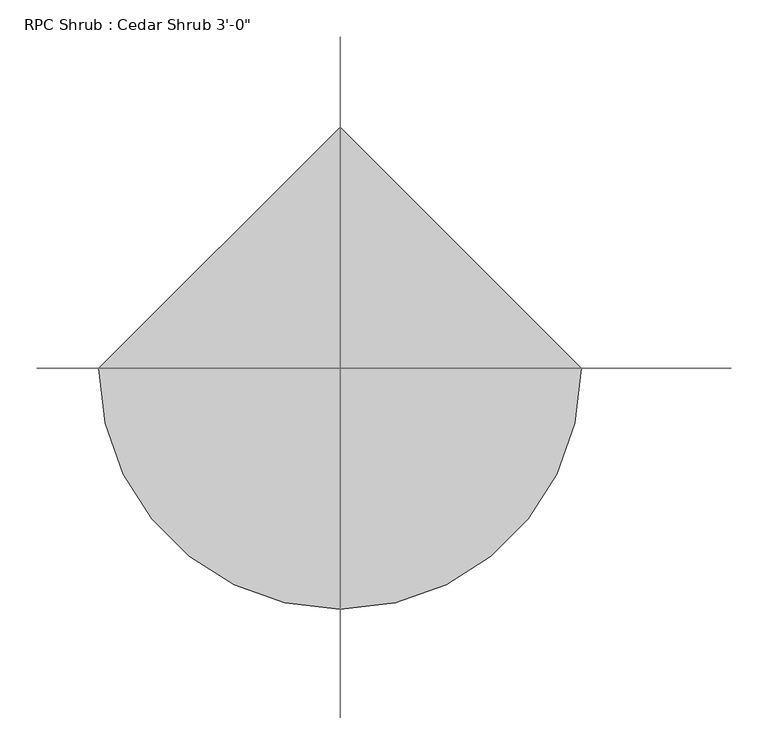
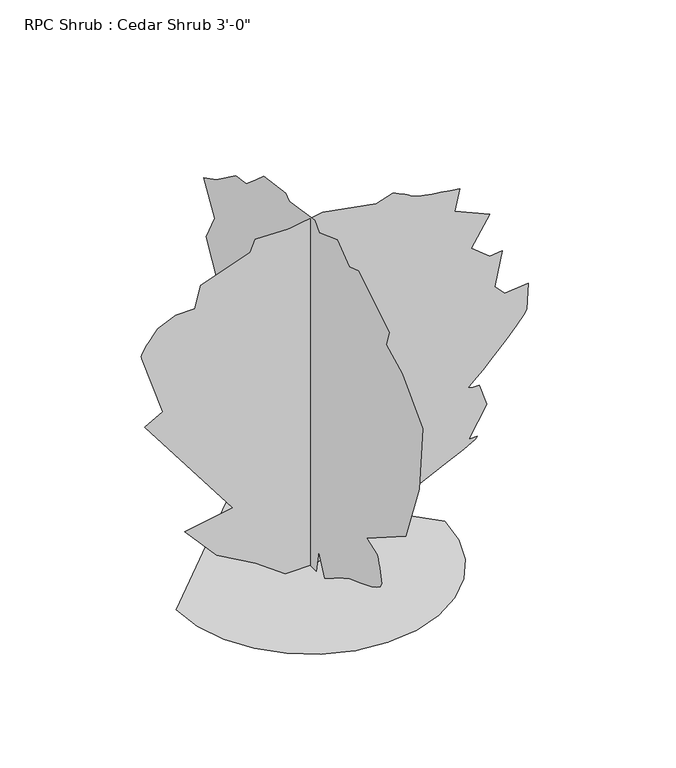
"""IFC4 building model written with IfcOpenShell, lengths in millimetres: geographic element geometry."""

from ifc_helpers import new_model, si_unit, origin, place, context, project, spatial, triangles, source, transform, mapped, element, save


def geographic_element_e27c54a3(model_context):
    return source(origin(), model_context, "Body", "Tessellation", [
        triangles([(-61.9491257, 8.98e-05, 3.1e-06), (-133.3686489, 8.41e-05, 52.0161927), (-229.784339, 7.75e-05, 107.3658847), (-308.3460772, 6.7e-05, 194.8542219), (-190.5039605, 6.45e-05, 216.2798944), (-406.5450977, 3.06e-05, 500.1695792), (-361.9096318, 2.77e-05, 525.1682714), (-413.687576, 9.1e-06, 680.504611), (-414.3708555, 8.5e-06, 686.0316719), (-412.1483531, 7.6e-06, 693.2453304), (-407.5052135, 6.6e-06, 701.8660252), (-400.9240746, 5.4e-06, 711.6120146), (-392.892588, 4.2e-06, 722.1987957), (-383.8933554, 2.8e-06, 733.3493505), (-374.4090142, 1.5e-06, 744.7793941), (-329.7710049, -9e-07, 764.4212185), (-283.347385, -9e-07, 764.4212185), (-269.0649538, -7.7e-06, 821.5560305), (-147.6523519, -1.28e-05, 864.4084293), (-135.1542685, -1.62e-05, 892.975799), (-51.2369207, -1.6e-05, 891.1902248), (30.8950596, -1.77e-05, 905.4726379), (161.2347623, -1.49e-05, 882.2620634), (202.3007514, -1.64e-05, 894.7614458), (209.926594, -1.6e-05, 891.3197227), (217.3964869, -1.56e-05, 887.8932604), (224.5539534, -1.52e-05, 884.4998629), (231.2430618, -1.48e-05, 881.1521021), (237.3073174, -1.44e-05, 877.8678549), (242.5910246, -1.4e-05, 874.6623819), (246.9374708, -1.36e-05, 871.5483278), (253.4703569, -1.33e-05, 868.4368898), (264.8764921, -1.29e-05, 865.2288008), (280.3400286, -1.25e-05, 861.9446262), (299.0547657, -1.21e-05, 858.5968655), (320.205346, -1.17e-05, 855.2034679), (342.9790286, -1.13e-05, 851.779549), (366.5654886, -1.09e-05, 848.337826), (354.0661062, -4.5e-06, 794.774235), (439.7683242, 0.0, 757.2787766), (395.1328583, 8.7e-06, 684.0733612), (439.7683242, 1.3e-05, 648.3660204), (470.1213407, 1.25e-05, 651.9346979), (452.2676702, 2.3e-05, 564.4468695), (477.2638553, 2.59e-05, 539.4507208), (534.3986309, 2.53e-05, 544.8075886), (530.8274099, 3.32e-05, 478.7446515), (523.5757087, 3.45e-05, 467.3451293), (504.7390314, 3.72e-05, 445.2623566), (478.6837177, 4.06e-05, 416.9032228), (449.7886428, 4.42e-05, 386.6696031), (422.4251967, 4.75e-05, 358.9657708), (400.96219, 4.99e-05, 338.196181), (389.7760268, 5.11e-05, 328.7651796), (386.8499336, 5.13e-05, 326.7306381), (386.9235847, 5.15e-05, 325.1634373), (389.4940673, 5.16e-05, 323.9874189), (394.0660629, 5.17e-05, 323.1212654), (400.1341518, 5.18e-05, 322.491362), (407.2029791, 5.19e-05, 322.0189344), (414.7721755, 5.19e-05, 321.622665), (432.6258459, 5.85e-05, 266.2734999), (387.99038, 6.75e-05, 191.2832371), (409.4153077, 6.75e-05, 191.2832371), (404.6121489, 6.81e-05, 185.7135189), (376.0066638, 7e-05, 170.1179047), (327.5713572, 7.28e-05, 146.167468), (263.2661253, 7.65e-05, 115.5335185), (187.0642904, 8.07e-05, 79.8863666), (102.9282468, 8.54e-05, 40.8973356), (14.7802468, 9.02e-05, 3.1e-06), (0.000381, 25.9026863, 6.2e-06), (0.0459126, 34.8300324, 57.3728062), (0.0459011, 134.816453, 119.8644768), (0.045878, 290.1520569, 198.4252067), (0.0458666, 418.7066374, 332.3364006), (0.0458549, 445.4884329, 412.6817508), (0.0458666, 354.4293471, 416.2530081), (0.0458666, 391.9248419, 493.0296444), (0.0458549, 441.9171756, 584.0886938), (0.0458549, 406.2098348, 653.7203447), (0.0458549, 452.6309112, 730.496981), (0.0458549, 400.852967, 757.2787766), (0.0458666, 316.9338161, 817.9848095), (0.0458666, 272.2983865, 825.1272514), (0.0458666, 229.4465145, 860.8371357), (0.045878, 197.3081237, 889.404578), (0.045878, 104.4634274, 901.901417), (0.045878, 90.1794701, 889.404578), (0.0458895, -18.7343943, 907.2582121), (0.0459011, -38.3746062, 885.833357), (0.0459011, -115.1499754, 914.4007267), (0.0459126, -165.1433174, 875.1196215), (0.0459126, -202.6383216, 887.6189312), (0.0459357, -334.7646317, 807.2710739), (0.0459357, -322.2652857, 767.9924395), (0.0459357, -390.1138332, 734.068202), (0.0459474, -477.6016617, 644.7947268), (0.0459588, -463.3167051, 478.7446515), (0.0459474, -404.3962463, 321.622665), (0.0459357, -240.1333076, 216.2798944), (0.0459474, -284.7697909, 200.2108353), (0.0459474, -287.8203315, 191.0282199), (0.0459474, -290.8073766, 181.8458589), (0.0459474, -293.6724997, 172.6634979), (0.0459474, -296.3471184, 163.4808825), (0.0459474, -298.7728243, 154.2985215), (0.0459474, -300.8861037, 145.1161604), (0.0459474, -302.6260048, 135.9335451), (0.0459474, -297.7517384, 125.9028165), (0.0459474, -282.4482212, 114.7161447), (0.0459474, -260.2740114, 103.1860617), (0.0459357, -234.7871223, 92.1246003), (0.0459357, -209.5511809, 82.3433114), (0.0459357, -188.1255083, 74.6549771), (0.0459357, -174.0706613, 69.8711394), (0.0459357, -161.0932739, 63.9628381), (0.0459357, -142.4006376, 53.6509403), (0.0459357, -120.8030006, 40.8714288), (0.0459243, -99.1118918, 27.5610539), (0.0459243, -80.1380772, 15.6561154), (0.0459243, -66.6923272, 7.0931586), (0.0459243, -61.5856531, 3.8085299), (0.0459243, -36.5889844, 59.1581714), (0.0003925, -25.8762707, 0.0), (-329.2655488, 0.0, 9.54e-05), (-320.5609566, -75.445681, 8.64e-05), (-295.7705366, -144.7305826, 7.82e-05), (-256.8780341, -205.8697014, 0.0001171), (-205.8697014, -256.8780341, 0.000111), (-144.7305826, -295.7705366, 0.0001064), (-75.445681, -320.5609566, 0.0001034), (1.15e-05, -329.2655488, 0.0001024), (75.4459354, -320.5609566, 0.0001034), (144.7305826, -295.7705366, 0.0001064), (205.8697014, -256.8780341, 0.000111), (256.8780341, -205.8697014, 0.0001171), (295.7705366, -144.7305826, 7.82e-05), (320.5609566, -75.445681, 8.64e-05), (329.2655488, 2.88e-05, 9.54e-05), (-4.62e-05, 329.2655488, 8.85e-05)], [[63, 64, 65], [63, 65, 66], [3, 4, 5], [42, 43, 44], [45, 46, 47], [5, 6, 7], [39, 40, 41], [37, 38, 39], [2, 3, 5], [45, 47, 48], [45, 48, 49], [36, 37, 39], [60, 61, 62], [19, 20, 21], [59, 60, 62], [59, 62, 63], [58, 59, 63], [57, 58, 63], [56, 57, 63], [45, 49, 50], [17, 18, 19], [35, 36, 39], [45, 50, 51], [44, 45, 51], [44, 51, 52], [41, 42, 44], [23, 24, 25], [34, 35, 39], [44, 52, 53], [41, 44, 53], [41, 53, 54], [41, 54, 55], [1, 2, 5], [71, 1, 5], [70, 71, 5], [69, 70, 5], [68, 69, 5], [68, 5, 7], [67, 68, 7], [66, 67, 7], [63, 66, 7], [56, 63, 7], [55, 56, 7], [41, 55, 7], [39, 41, 7], [34, 39, 7], [33, 34, 7], [32, 33, 7], [31, 32, 7], [30, 31, 7], [29, 30, 7], [28, 29, 7], [27, 28, 7], [26, 27, 7], [25, 26, 7], [23, 25, 7], [22, 23, 7], [21, 22, 7], [19, 21, 7], [17, 19, 7], [17, 7, 8], [16, 17, 8], [15, 16, 8], [14, 15, 8], [13, 14, 8], [12, 13, 8], [11, 12, 8], [10, 11, 8], [9, 10, 8], [76, 77, 78], [122, 123, 124], [81, 82, 83], [121, 122, 124], [124, 125, 72], [124, 72, 73], [75, 76, 78], [120, 121, 124], [94, 95, 96], [93, 94, 96], [91, 92, 93], [119, 120, 124], [89, 90, 91], [79, 80, 81], [101, 102, 103], [81, 83, 84], [81, 84, 85], [97, 98, 99], [87, 88, 89], [96, 97, 99], [74, 75, 78], [96, 99, 100], [96, 100, 101], [93, 96, 101], [91, 93, 101], [89, 91, 101], [87, 89, 101], [86, 87, 101], [85, 86, 101], [81, 85, 101], [79, 81, 101], [78, 79, 101], [74, 78, 101], [73, 74, 101], [124, 73, 101], [119, 124, 101], [118, 119, 101], [117, 118, 101], [116, 117, 101], [115, 116, 101], [114, 115, 101], [113, 114, 101], [112, 113, 101], [112, 101, 103], [112, 103, 104], [112, 104, 105], [111, 112, 105], [111, 105, 106], [111, 106, 107], [110, 111, 107], [110, 107, 108], [109, 110, 108], [140, 141, 126], [139, 140, 126], [139, 126, 127], [138, 139, 127], [138, 127, 128], [138, 128, 129], [137, 138, 129], [136, 137, 129], [136, 129, 130], [136, 130, 131], [136, 131, 132], [136, 132, 133], [136, 133, 134], [136, 134, 135]], closed=False),
    ])


if __name__ == "__main__":
    model = new_model("IFC4")
    model_context = context("Model", 3, world=origin())
    ifc_project = project(units=[si_unit("LENGTHUNIT", "METRE", prefix="MILLI")], contexts=[model_context])
    site = spatial("IfcSite", under=ifc_project)
    building = spatial("IfcBuilding", under=site)
    placement = place(None, origin())
    geographic_element_shape = geographic_element_e27c54a3(model_context)
    element("IfcGeographicElement", 1, ObjectType="RPC Shrub : Cedar Shrub 3'-0\"", at=placement, inside=building, context=model_context, shape_type="MappedRepresentation", body=[
        mapped(geographic_element_shape, transform((0.0, 0.0, 0.0), x_axis=(1.0, 0.0, 0.0), y_axis=(0.0, 1.0, 0.0), z_axis=(0.0, 0.0, 1.0))),
    ])
    save(model, "model.ifc")
